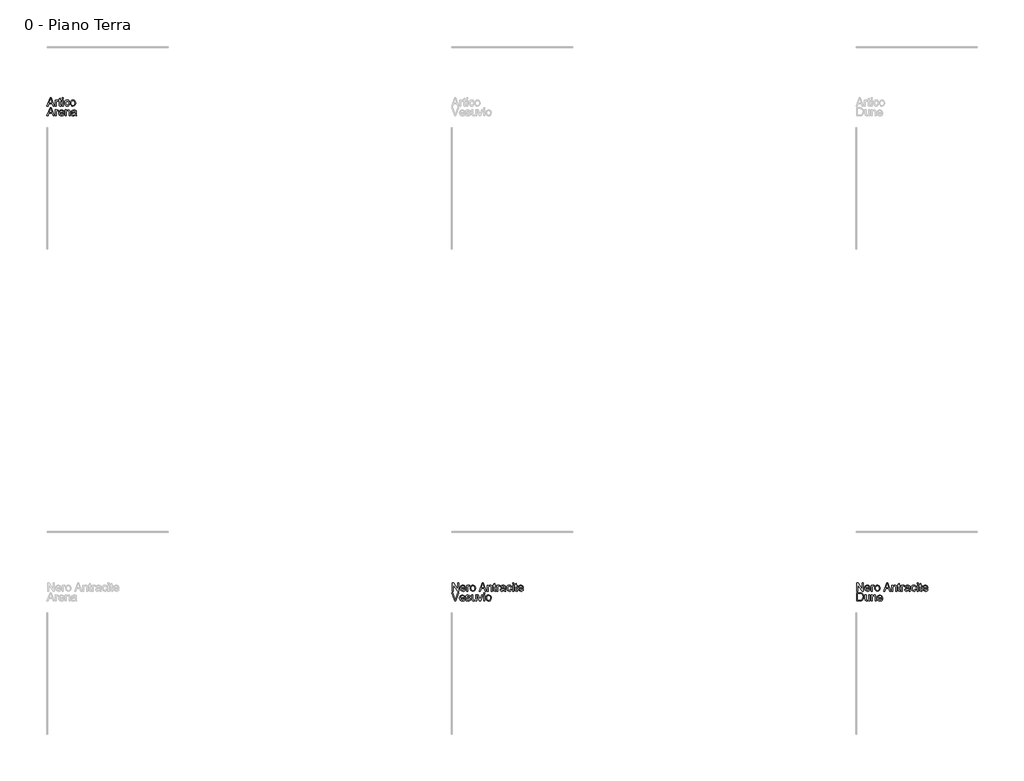
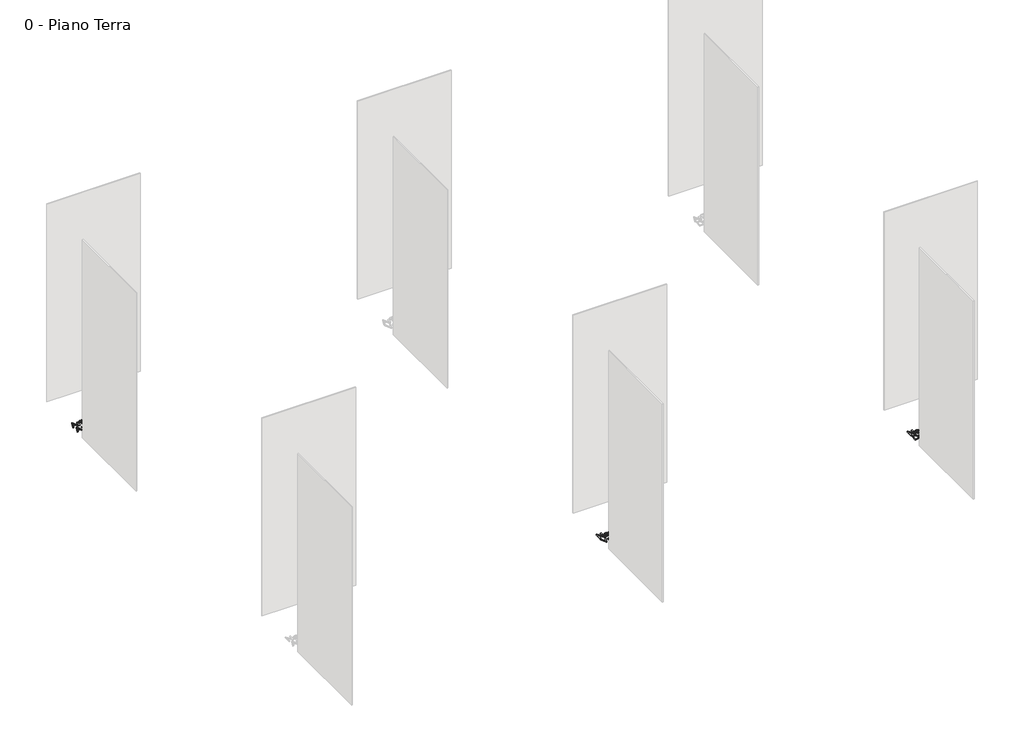
# One storey, part 12 of 35: 3 proxies.
"""IFC4 building model written with IfcOpenShell, lengths in millimetres."""

from ifc_helpers import new_model, si_unit, origin, origin_with_axes, place, context, project, spatial, polyline, outline, extrude, element, save

model = new_model("IFC4")

# Units and contexts
model_context = context("Model", 3, world=origin())
ifc_project = project(units=[si_unit("LENGTHUNIT", "METRE", prefix="MILLI")], contexts=[model_context])

# Site, building, storey
site = spatial("IfcSite", under=ifc_project)
building = spatial("IfcBuilding", under=site)
storey = spatial("IfcBuildingStorey", under=building, Name="0 - Piano Terra", Elevation=0.0)

# Proxies
placement = place(None, origin())
element("IfcBuildingElementProxy", 1, Name="Testo modello 1", ObjectType="Testo modello 1", at=placement, inside=storey, context=model_context, shape_type="SweptSolid", body=[
    extrude(outline(polyline([(-12279.9693984, -18273.7592352), (-12239.8702609, -18173.302925), (-12229.1771576, -18173.302925), (-12189.0780201, -18273.7592352), (-12202.3462974, -18273.7592352), (-12213.8487411, -18242.3666382), (-12255.2232028, -18242.3666382), (-12266.7011211, -18273.7592352), (-12279.9693984, -18273.7592352)]), holes=[polyline([(-12250.6124152, -18229.8095995), (-12218.4350033, -18229.8095995), (-12227.4849004, -18205.1124549), (-12234.5237092, -18185.8599638), (-12240.7777032, -18202.9542138), (-12250.6124152, -18229.8095995)])]), origin_with_axes(), (0.0, 0.0, 1.0), 10.0),
    extrude(outline(polyline([(-12177.2322199, -18273.7592352), (-12177.2322199, -18199.9866324), (-12166.2448109, -18199.9866324), (-12166.2448109, -18210.9004649), (-12158.4457126, -18200.8450237), (-12150.5975634, -18198.4170025), (-12137.9914737, -18202.2920262), (-12142.1853284, -18213.5492153), (-12151.0144963, -18210.9740413), (-12158.1146188, -18213.4511134), (-12162.6395674, -18220.318244), (-12164.6751811, -18234.9844729), (-12164.6751811, -18273.7592352), (-12177.2322199, -18273.7592352)])), origin_with_axes(), (0.0, 0.0, 1.0), 10.0),
    extrude(outline(polyline([(-12103.4596171, -18263.286861), (-12101.8899872, -18274.1271171), (-12111.2832408, -18275.328865), (-12121.8046659, -18273.2442004), (-12127.0531157, -18267.7750214), (-12128.5736946, -18253.5257254), (-12128.5736946, -18212.5436712), (-12137.9914737, -18212.5436712), (-12137.9914737, -18199.9866324), (-12128.5736946, -18199.9866324), (-12128.5736946, -18182.0585165), (-12116.0166559, -18174.6763511), (-12116.0166559, -18199.9866324), (-12103.4596171, -18199.9866324), (-12103.4596171, -18212.5436712), (-12116.0166559, -18212.5436712), (-12116.0166559, -18253.1578434), (-12115.3544683, -18259.6325665), (-12113.20849, -18261.9256976), (-12108.9287961, -18262.7718262), (-12103.4596171, -18263.286861)])), origin_with_axes(), (0.0, 0.0, 1.0), 10.0),
    extrude(outline(polyline([(-12090.9025783, -18185.8599638), (-12090.9025783, -18173.302925), (-12078.3455395, -18173.302925), (-12078.3455395, -18185.8599638), (-12090.9025783, -18185.8599638)])), origin_with_axes(), (0.0, 0.0, 1.0), 10.0),
    extrude(outline(polyline([(-12090.9025783, -18273.7592352), (-12090.9025783, -18199.9866324), (-12078.3455395, -18199.9866324), (-12078.3455395, -18273.7592352), (-12090.9025783, -18273.7592352)])), origin_with_axes(), (0.0, 0.0, 1.0), 10.0),
    extrude(outline(polyline([(-12012.421086, -18247.0755278), (-11999.8640472, -18248.6451576), (-12003.3650576, -18259.8134419), (-12009.9440139, -18268.253268), (-12018.9816483, -18273.5599657), (-12029.8586926, -18275.328865), (-12043.2158747, -18272.8609899), (-12053.6606577, -18265.4573648), (-12060.4020952, -18253.442952), (-12062.6492411, -18237.1427139), (-12058.8110056, -18216.2838048), (-12047.1123582, -18202.8806374), (-12030.0303708, -18198.4170025), (-12019.420041, -18199.9498442), (-12010.9372953, -18204.5483691), (-12004.851914, -18211.9673227), (-12001.4336771, -18221.9614502), (-12013.9907159, -18223.5310801), (-12019.8155141, -18214.1255637), (-12029.932269, -18210.9740413), (-12038.0471327, -18212.5252771), (-12044.4881333, -18217.1789843), (-12048.6911851, -18225.1865491), (-12050.0922023, -18236.7993574), (-12048.7218419, -18248.5685155), (-12044.6107606, -18256.6036714), (-12038.286256, -18261.2297875), (-12030.2756255, -18262.7718262), (-12018.442088, -18258.921328), (-12012.421086, -18247.0755278)])), origin_with_axes(), (0.0, 0.0, 1.0), 10.0),
    extrude(outline(polyline([(-11992.015898, -18236.8729338), (-11989.2997026, -18219.0858393), (-11981.1511164, -18206.5839828), (-11971.0834125, -18200.4587476), (-11959.0291458, -18198.4170025), (-11945.8375106, -18200.9032717), (-11935.3007571, -18208.3620791), (-11928.3937726, -18220.2048137), (-11926.0914445, -18235.8428642), (-11930.1626719, -18258.185564), (-11942.0207349, -18270.8284419), (-11959.0291458, -18275.328865), (-11972.3801965, -18272.8517929), (-11982.9046873, -18265.4205766), (-11989.7380953, -18253.3295217), (-11992.015898, -18236.8729338)]), holes=[polyline([(-11979.4588592, -18236.8484083), (-11978.0057254, -18248.2128963), (-11973.6463237, -18256.3093658), (-11967.0857615, -18261.1562111), (-11959.0291458, -18262.7718262), (-11951.0093183, -18261.1470141), (-11944.4610188, -18256.2725776), (-11940.1016171, -18248.0688092), (-11938.6484832, -18236.4560008), (-11940.1108142, -18225.4226067), (-11944.497807, -18217.4365017), (-11951.0553035, -18212.5896564), (-11959.0291458, -18210.9740413), (-11967.0857615, -18212.583525), (-11973.6463237, -18217.4119762), (-11978.0057254, -18225.4900517), (-11979.4588592, -18236.8484083)])]), origin_with_axes(), (0.0, 0.0, 1.0), 10.0),
    extrude(outline(polyline([(-12279.9693984, -18395.734053), (-12239.8702609, -18295.2777428), (-12229.1771576, -18295.2777428), (-12189.0780201, -18395.734053), (-12202.3462974, -18395.734053), (-12213.8487411, -18364.3414561), (-12255.2232028, -18364.3414561), (-12266.7011211, -18395.734053), (-12279.9693984, -18395.734053)]), holes=[polyline([(-12250.6124152, -18351.7844173), (-12218.4350033, -18351.7844173), (-12227.4849004, -18327.0872727), (-12234.5237092, -18307.8347816), (-12240.7777032, -18324.9290317), (-12250.6124152, -18351.7844173)])]), origin_with_axes(), (0.0, 0.0, 1.0), 10.0),
    extrude(outline(polyline([(-12177.2322199, -18395.734053), (-12177.2322199, -18321.9614502), (-12166.2448109, -18321.9614502), (-12166.2448109, -18332.8752828), (-12158.4457126, -18322.8198416), (-12150.5975634, -18320.3918204), (-12137.9914737, -18324.2668441), (-12142.1853284, -18335.5240331), (-12151.0144963, -18332.9488592), (-12158.1146188, -18335.4259313), (-12162.6395674, -18342.2930618), (-12164.6751811, -18356.9592907), (-12164.6751811, -18395.734053), (-12177.2322199, -18395.734053)])), origin_with_axes(), (0.0, 0.0, 1.0), 10.0),
    extrude(outline(polyline([(-12078.4926923, -18373.7592352), (-12066.1809082, -18375.328865), (-12070.616952, -18384.6056226), (-12077.6956147, -18391.5401983), (-12087.2574809, -18395.8628117), (-12099.143135, -18397.3036828), (-12113.8768089, -18394.8174137), (-12125.2137057, -18387.3586062), (-12132.4425869, -18375.4116384), (-12134.852214, -18359.4608883), (-12132.4180615, -18342.9736435), (-12125.1156039, -18330.6434653), (-12113.9319912, -18322.9547316), (-12099.8543735, -18320.3918204), (-12086.2151486, -18322.9486003), (-12075.3166445, -18330.6189399), (-12068.1705367, -18342.9245926), (-12065.7885008, -18359.3873119), (-12065.8620772, -18362.7718262), (-12122.2951752, -18362.7718262), (-12120.1216058, -18372.1712112), (-12115.0724254, -18379.0812613), (-12107.7852962, -18383.3302984), (-12098.8978803, -18384.7466441), (-12086.5860962, -18382.1224192), (-12078.4926923, -18373.7592352)]), holes=[polyline([(-12122.2951752, -18350.2147875), (-12078.3455395, -18350.2147875), (-12083.3732601, -18338.8349711), (-12090.6941119, -18334.4203871), (-12099.9034245, -18332.9488592), (-12115.366731, -18337.645486), (-12120.2319704, -18343.1361247), (-12122.2951752, -18350.2147875)])]), origin_with_axes(), (0.0, 0.0, 1.0), 10.0),
    extrude(outline(polyline([(-12053.231462, -18395.734053), (-12053.231462, -18321.9614502), (-12040.6744232, -18321.9614502), (-12040.6744232, -18332.2621461), (-12031.0727032, -18323.3594018), (-12017.9638414, -18320.3918204), (-12006.1057784, -18322.7830534), (-11998.0123745, -18329.0615727), (-11994.2477155, -18338.2954108), (-11993.5855279, -18350.4355167), (-11993.5855279, -18395.734053), (-12006.1425666, -18395.734053), (-12006.1425666, -18352.1277738), (-12007.5895691, -18341.0177376), (-12012.7031289, -18335.1438884), (-12021.3238303, -18332.9488592), (-12034.9477269, -18337.8784779), (-12039.2427491, -18345.02152), (-12040.6744232, -18356.5914087), (-12040.6744232, -18395.734053), (-12053.231462, -18395.734053)])), origin_with_axes(), (0.0, 0.0, 1.0), 10.0),
    extrude(outline(polyline([(-11929.2307042, -18386.3162739), (-11941.4075982, -18394.8266107), (-11954.8598165, -18397.3036828), (-11965.3536504, -18395.8137608), (-11973.0945007, -18391.3439945), (-11977.8677696, -18384.5565717), (-11979.4588592, -18376.1136799), (-11977.0553635, -18366.1808661), (-11970.740056, -18358.9703789), (-11961.9476763, -18354.8501006), (-11951.0828947, -18352.9616397), (-11929.3042806, -18348.6451576), (-11929.2307042, -18345.8492545), (-11932.6887949, -18336.5786282), (-11946.5702089, -18332.9488592), (-11959.2744004, -18335.3646176), (-11965.3321906, -18343.9362681), (-11977.8892294, -18342.3666382), (-11972.4568386, -18330.1039051), (-11961.5184806, -18322.9179434), (-11944.9515281, -18320.3918204), (-11929.7334762, -18322.6236378), (-11921.1373003, -18328.2277069), (-11917.2868021, -18336.7503064), (-11916.6736654, -18347.7377154), (-11916.6736654, -18363.3604374), (-11916.0360033, -18385.1758397), (-11913.5344057, -18395.734053), (-11926.0914445, -18395.734053), (-11929.2307042, -18386.3162739)]), holes=[polyline([(-11929.2307042, -18361.2021964), (-11949.4887394, -18365.0526946), (-11960.2922073, -18367.0883083), (-11965.1850378, -18370.3992463), (-11966.9018205, -18375.2307631), (-11963.1616869, -18382.0243173), (-11952.1865407, -18384.7466441), (-11939.4823491, -18381.7422744), (-11931.2908433, -18374.4704737), (-11929.3042806, -18364.758389), (-11929.2307042, -18361.2021964)])]), origin_with_axes(), (0.0, 0.0, 1.0), 10.0),
])
element("IfcBuildingElementProxy", 2, Name="Testo modello 1", ObjectType="Testo modello 1", at=placement, inside=storey, context=model_context, shape_type="SweptSolid", body=[
    extrude(outline(polyline([(-2268.2707509, -24273.7592352), (-2268.2707509, -24173.302925), (-2254.8307954, -24173.302925), (-2202.3462974, -24252.8880633), (-2202.3462974, -24173.302925), (-2189.7892586, -24173.302925), (-2189.7892586, -24273.7592352), (-2203.2292142, -24273.7592352), (-2255.7137122, -24194.1495714), (-2255.7137122, -24273.7592352), (-2268.2707509, -24273.7592352)])), origin_with_axes(), (0.0, 0.0, 1.0), 10.0),
    extrude(outline(polyline([(-2117.7334385, -24251.7844173), (-2105.4216544, -24253.3540472), (-2109.8576981, -24262.6308048), (-2116.9363608, -24269.5653804), (-2126.498227, -24273.8879938), (-2138.3838812, -24275.328865), (-2153.1175551, -24272.8425958), (-2164.4544519, -24265.3837884), (-2171.6833331, -24253.4368206), (-2174.0929602, -24237.4860704), (-2171.6588076, -24220.9988257), (-2164.35635, -24208.6686475), (-2153.1727374, -24200.9799138), (-2139.0951197, -24198.4170025), (-2125.4558947, -24200.9737824), (-2114.5573906, -24208.644122), (-2107.4112829, -24220.9497747), (-2105.0292469, -24237.412494), (-2105.1028233, -24240.7970084), (-2161.5359214, -24240.7970084), (-2159.3623519, -24250.1963934), (-2154.3131716, -24257.1064435), (-2147.0260424, -24261.3554805), (-2138.1386265, -24262.7718262), (-2125.8268424, -24260.1476013), (-2117.7334385, -24251.7844173)]), holes=[polyline([(-2161.5359214, -24228.2399696), (-2117.5862857, -24228.2399696), (-2122.6140063, -24216.8601532), (-2129.934858, -24212.4455693), (-2139.1441706, -24210.9740413), (-2154.6074771, -24215.6706681), (-2159.4727165, -24221.1613069), (-2161.5359214, -24228.2399696)])]), origin_with_axes(), (0.0, 0.0, 1.0), 10.0),
    extrude(outline(polyline([(-2092.4722082, -24273.7592352), (-2092.4722082, -24199.9866324), (-2081.4847992, -24199.9866324), (-2081.4847992, -24210.9004649), (-2073.6857009, -24200.8450237), (-2065.8375517, -24198.4170025), (-2053.231462, -24202.2920262), (-2057.4253168, -24213.5492153), (-2066.2544846, -24210.9740413), (-2073.3546071, -24213.4511134), (-2077.8795557, -24220.318244), (-2079.9151694, -24234.9844729), (-2079.9151694, -24273.7592352), (-2092.4722082, -24273.7592352)])), origin_with_axes(), (0.0, 0.0, 1.0), 10.0),
    extrude(outline(polyline([(-2048.5225725, -24236.8729338), (-2045.8063771, -24219.0858393), (-2037.6577909, -24206.5839828), (-2027.5900869, -24200.4587476), (-2015.5358202, -24198.4170025), (-2002.344185, -24200.9032717), (-1991.8074315, -24208.3620791), (-1984.9004471, -24220.2048137), (-1982.5981189, -24235.8428642), (-1986.6693463, -24258.185564), (-1998.5274093, -24270.8284419), (-2015.5358202, -24275.328865), (-2028.886871, -24272.8517929), (-2039.4113617, -24265.4205766), (-2046.2447698, -24253.3295217), (-2048.5225725, -24236.8729338)]), holes=[polyline([(-2035.9655337, -24236.8484083), (-2034.5123998, -24248.2128963), (-2030.1529982, -24256.3093658), (-2023.5924359, -24261.1562111), (-2015.5358202, -24262.7718262), (-2007.5159927, -24261.1470141), (-2000.9676932, -24256.2725776), (-1996.6082916, -24248.0688092), (-1995.1551577, -24236.4560008), (-1996.6174886, -24225.4226067), (-2001.0044814, -24217.4365017), (-2007.561978, -24212.5896564), (-2015.5358202, -24210.9740413), (-2023.5924359, -24212.583525), (-2030.1529982, -24217.4119762), (-2034.5123998, -24225.4900517), (-2035.9655337, -24236.8484083)])]), origin_with_axes(), (0.0, 0.0, 1.0), 10.0),
    extrude(outline(polyline([(-1939.3597218, -24273.7592352), (-1899.2605843, -24173.302925), (-1888.567481, -24173.302925), (-1848.4683435, -24273.7592352), (-1861.7366208, -24273.7592352), (-1873.2390645, -24242.3666382), (-1914.6135262, -24242.3666382), (-1926.0914445, -24273.7592352), (-1939.3597218, -24273.7592352)]), holes=[polyline([(-1910.0027386, -24229.8095995), (-1877.8253267, -24229.8095995), (-1886.8752238, -24205.1124549), (-1893.9140326, -24185.8599638), (-1900.1680266, -24202.9542138), (-1910.0027386, -24229.8095995)])]), origin_with_axes(), (0.0, 0.0, 1.0), 10.0),
    extrude(outline(polyline([(-1836.6225433, -24273.7592352), (-1836.6225433, -24199.9866324), (-1824.0655045, -24199.9866324), (-1824.0655045, -24210.2873283), (-1814.4637844, -24201.384584), (-1801.3549226, -24198.4170025), (-1789.4968597, -24200.8082355), (-1781.4034558, -24207.0867549), (-1777.6387967, -24216.320593), (-1776.9766091, -24228.4606988), (-1776.9766091, -24273.7592352), (-1789.5336479, -24273.7592352), (-1789.5336479, -24230.152956), (-1790.9806504, -24219.0429197), (-1796.0942101, -24213.1690705), (-1804.7149115, -24210.9740413), (-1818.3388081, -24215.90366), (-1822.6338304, -24223.0467021), (-1824.0655045, -24234.6165909), (-1824.0655045, -24273.7592352), (-1836.6225433, -24273.7592352)])), origin_with_axes(), (0.0, 0.0, 1.0), 10.0),
    extrude(outline(polyline([(-1733.0269734, -24263.286861), (-1731.4573436, -24274.1271171), (-1740.8505972, -24275.328865), (-1751.3720222, -24273.2442004), (-1756.620472, -24267.7750214), (-1758.1410509, -24253.5257254), (-1758.1410509, -24212.5436712), (-1767.55883, -24212.5436712), (-1767.55883, -24199.9866324), (-1758.1410509, -24199.9866324), (-1758.1410509, -24182.0585165), (-1745.5840122, -24174.6763511), (-1745.5840122, -24199.9866324), (-1733.0269734, -24199.9866324), (-1733.0269734, -24212.5436712), (-1745.5840122, -24212.5436712), (-1745.5840122, -24253.1578434), (-1744.9218246, -24259.6325665), (-1742.7758463, -24261.9256976), (-1738.4961524, -24262.7718262), (-1733.0269734, -24263.286861)])), origin_with_axes(), (0.0, 0.0, 1.0), 10.0),
    extrude(outline(polyline([(-1720.4699346, -24273.7592352), (-1720.4699346, -24199.9866324), (-1709.4825257, -24199.9866324), (-1709.4825257, -24210.9004649), (-1701.6834274, -24200.8450237), (-1693.8352782, -24198.4170025), (-1681.2291885, -24202.2920262), (-1685.4230432, -24213.5492153), (-1694.2522111, -24210.9740413), (-1701.3523336, -24213.4511134), (-1705.8772822, -24220.318244), (-1707.9128959, -24234.9844729), (-1707.9128959, -24273.7592352), (-1720.4699346, -24273.7592352)])), origin_with_axes(), (0.0, 0.0, 1.0), 10.0),
    extrude(outline(polyline([(-1626.2921439, -24264.3414561), (-1638.4690379, -24272.8517929), (-1651.9212562, -24275.328865), (-1662.4150901, -24273.8389429), (-1670.1559404, -24269.3691767), (-1674.9292093, -24262.5817539), (-1676.5202989, -24254.1388621), (-1674.1168032, -24244.2060482), (-1667.8014957, -24236.9955611), (-1659.009116, -24232.8752828), (-1648.1443344, -24230.9868218), (-1626.3657203, -24226.6703398), (-1626.2921439, -24223.8744366), (-1629.7502346, -24214.6038103), (-1643.6316486, -24210.9740413), (-1656.3358401, -24213.3897997), (-1662.3936303, -24221.9614502), (-1674.9506691, -24220.3918204), (-1669.5182783, -24208.1290872), (-1658.5799203, -24200.9431256), (-1642.0129678, -24198.4170025), (-1626.7949159, -24200.64882), (-1618.19874, -24206.252889), (-1614.3482418, -24214.7754886), (-1613.7351051, -24225.7628975), (-1613.7351051, -24241.3856196), (-1613.097443, -24263.2010219), (-1610.5958454, -24273.7592352), (-1623.1528842, -24273.7592352), (-1626.2921439, -24264.3414561)]), holes=[polyline([(-1626.2921439, -24239.2273785), (-1646.5501791, -24243.0778768), (-1657.353647, -24245.1134905), (-1662.2464775, -24248.4244284), (-1663.9632602, -24253.2559453), (-1660.2231266, -24260.0494995), (-1649.2479804, -24262.7718262), (-1636.5437888, -24259.7674566), (-1628.352283, -24252.4956558), (-1626.3657203, -24242.7835712), (-1626.2921439, -24239.2273785)])]), origin_with_axes(), (0.0, 0.0, 1.0), 10.0),
    extrude(outline(polyline([(-1549.3802814, -24247.0755278), (-1536.8232426, -24248.6451576), (-1540.324253, -24259.8134419), (-1546.9032093, -24268.253268), (-1555.9408437, -24273.5599657), (-1566.817888, -24275.328865), (-1580.1750701, -24272.8609899), (-1590.6198531, -24265.4573648), (-1597.3612906, -24253.442952), (-1599.6084365, -24237.1427139), (-1595.770201, -24216.2838048), (-1584.0715536, -24202.8806374), (-1566.9895663, -24198.4170025), (-1556.3792364, -24199.9498442), (-1547.8964907, -24204.5483691), (-1541.8111094, -24211.9673227), (-1538.3928725, -24221.9614502), (-1550.9499113, -24223.5310801), (-1556.7747095, -24214.1255637), (-1566.8914644, -24210.9740413), (-1575.0063281, -24212.5252771), (-1581.4473287, -24217.1789843), (-1585.6503805, -24225.1865491), (-1587.0513977, -24236.7993574), (-1585.6810373, -24248.5685155), (-1581.569956, -24256.6036714), (-1575.2454514, -24261.2297875), (-1567.2348209, -24262.7718262), (-1555.4012834, -24258.921328), (-1549.3802814, -24247.0755278)])), origin_with_axes(), (0.0, 0.0, 1.0), 10.0),
    extrude(outline(polyline([(-1525.8358337, -24273.7592352), (-1525.8358337, -24199.9866324), (-1513.278795, -24199.9866324), (-1513.278795, -24273.7592352), (-1525.8358337, -24273.7592352)])), origin_with_axes(), (0.0, 0.0, 1.0), 10.0),
    extrude(outline(polyline([(-1525.8358337, -24185.8599638), (-1525.8358337, -24173.302925), (-1513.278795, -24173.302925), (-1513.278795, -24185.8599638), (-1525.8358337, -24185.8599638)])), origin_with_axes(), (0.0, 0.0, 1.0), 10.0),
    extrude(outline(polyline([(-1467.7595294, -24263.286861), (-1466.1898996, -24274.1271171), (-1475.5831532, -24275.328865), (-1486.1045782, -24273.2442004), (-1491.353028, -24267.7750214), (-1492.873607, -24253.5257254), (-1492.873607, -24212.5436712), (-1502.291386, -24212.5436712), (-1502.291386, -24199.9866324), (-1492.873607, -24199.9866324), (-1492.873607, -24182.0585165), (-1480.3165682, -24174.6763511), (-1480.3165682, -24199.9866324), (-1467.7595294, -24199.9866324), (-1467.7595294, -24212.5436712), (-1480.3165682, -24212.5436712), (-1480.3165682, -24253.1578434), (-1479.6543806, -24259.6325665), (-1477.5084023, -24261.9256976), (-1473.2287084, -24262.7718262), (-1467.7595294, -24263.286861)])), origin_with_axes(), (0.0, 0.0, 1.0), 10.0),
    extrude(outline(polyline([(-1403.5518585, -24251.7844173), (-1391.2400744, -24253.3540472), (-1395.6761181, -24262.6308048), (-1402.7547809, -24269.5653804), (-1412.3166471, -24273.8879938), (-1424.2023012, -24275.328865), (-1438.9359751, -24272.8425958), (-1450.2728719, -24265.3837884), (-1457.5017531, -24253.4368206), (-1459.9113802, -24237.4860704), (-1457.4772277, -24220.9988257), (-1450.1747701, -24208.6686475), (-1438.9911574, -24200.9799138), (-1424.9135397, -24198.4170025), (-1411.2743147, -24200.9737824), (-1400.3758106, -24208.644122), (-1393.2297029, -24220.9497747), (-1390.847667, -24237.412494), (-1390.9212434, -24240.7970084), (-1447.3543414, -24240.7970084), (-1445.180772, -24250.1963934), (-1440.1315916, -24257.1064435), (-1432.8444624, -24261.3554805), (-1423.9570465, -24262.7718262), (-1411.6452624, -24260.1476013), (-1403.5518585, -24251.7844173)]), holes=[polyline([(-1447.3543414, -24228.2399696), (-1403.4047057, -24228.2399696), (-1408.4324263, -24216.8601532), (-1415.753278, -24212.4455693), (-1424.9625906, -24210.9740413), (-1440.4258972, -24215.6706681), (-1445.2911366, -24221.1613069), (-1447.3543414, -24228.2399696)])]), origin_with_axes(), (0.0, 0.0, 1.0), 10.0),
    extrude(outline(polyline([(-2268.2707509, -24395.734053), (-2268.2707509, -24295.2777428), (-2233.616267, -24295.2777428), (-2215.6881511, -24296.7247454), (-2200.9238203, -24303.910707), (-2189.0289692, -24321.0785334), (-2185.0803691, -24344.9663377), (-2187.7536449, -24365.2366356), (-2194.6207755, -24379.8660763), (-2203.7932999, -24388.977287), (-2215.7985157, -24394.0172704), (-2231.9485353, -24395.734053), (-2268.2707509, -24395.734053)]), holes=[polyline([(-2255.7137122, -24383.1770142), (-2233.4936396, -24383.1770142), (-2217.3313573, -24381.3621297), (-2208.0116801, -24376.2363073), (-2200.3719973, -24363.7651076), (-2197.6374079, -24344.7701339), (-2198.9771114, -24331.0849237), (-2202.9962222, -24320.9804316), (-2216.0315076, -24309.8458699), (-2233.8369962, -24307.8347816), (-2255.7137122, -24307.8347816), (-2255.7137122, -24383.1770142)])]), origin_with_axes(), (0.0, 0.0, 1.0), 10.0),
    extrude(outline(polyline([(-2122.2951752, -24395.734053), (-2122.2951752, -24383.0543869), (-2132.1298872, -24393.7413589), (-2144.9567061, -24397.3036828), (-2156.7657182, -24394.8020853), (-2164.908173, -24388.5235659), (-2168.6483066, -24379.2774651), (-2169.3840706, -24367.6033431), (-2169.3840706, -24321.9614502), (-2156.8270319, -24321.9614502), (-2156.8270319, -24361.6927057), (-2156.0667424, -24374.4949991), (-2151.1003355, -24382.0120546), (-2141.74387, -24384.7466441), (-2131.2592332, -24381.9507409), (-2124.3307889, -24374.3355836), (-2122.2951752, -24360.3438051), (-2122.2951752, -24321.9614502), (-2109.7381365, -24321.9614502), (-2109.7381365, -24395.734053), (-2122.2951752, -24395.734053)])), origin_with_axes(), (0.0, 0.0, 1.0), 10.0),
    extrude(outline(polyline([(-2092.4722082, -24395.734053), (-2092.4722082, -24321.9614502), (-2079.9151694, -24321.9614502), (-2079.9151694, -24332.2621461), (-2070.3134493, -24323.3594018), (-2057.2045876, -24320.3918204), (-2045.3465246, -24322.7830534), (-2037.2531207, -24329.0615727), (-2033.4884616, -24338.2954108), (-2032.826274, -24350.4355167), (-2032.826274, -24395.734053), (-2045.3833128, -24395.734053), (-2045.3833128, -24352.1277738), (-2046.8303153, -24341.0177376), (-2051.943875, -24335.1438884), (-2060.5645764, -24332.9488592), (-2074.188473, -24337.8784779), (-2078.4834953, -24345.02152), (-2079.9151694, -24356.5914087), (-2079.9151694, -24395.734053), (-2092.4722082, -24395.734053)])), origin_with_axes(), (0.0, 0.0, 1.0), 10.0),
    extrude(outline(polyline([(-1963.9097136, -24373.7592352), (-1951.5979295, -24375.328865), (-1956.0339732, -24384.6056226), (-1963.1126359, -24391.5401983), (-1972.6745021, -24395.8628117), (-1984.5601562, -24397.3036828), (-1999.2938302, -24394.8174137), (-2010.630727, -24387.3586062), (-2017.8596082, -24375.4116384), (-2020.2692352, -24359.4608883), (-2017.8350827, -24342.9736435), (-2010.5326251, -24330.6434653), (-1999.3490125, -24322.9547316), (-1985.2713948, -24320.3918204), (-1971.6321698, -24322.9486003), (-1960.7336657, -24330.6189399), (-1953.5875579, -24342.9245926), (-1951.205522, -24359.3873119), (-1951.2790984, -24362.7718262), (-2007.7121965, -24362.7718262), (-2005.538627, -24372.1712112), (-2000.4894466, -24379.0812613), (-1993.2023174, -24383.3302984), (-1984.3149016, -24384.7466441), (-1972.0031175, -24382.1224192), (-1963.9097136, -24373.7592352)]), holes=[polyline([(-2007.7121965, -24350.2147875), (-1963.7625608, -24350.2147875), (-1968.7902814, -24338.8349711), (-1976.1111331, -24334.4203871), (-1985.3204457, -24332.9488592), (-2000.7837522, -24337.645486), (-2005.6489916, -24343.1361247), (-2007.7121965, -24350.2147875)])]), origin_with_axes(), (0.0, 0.0, 1.0), 10.0),
])
element("IfcBuildingElementProxy", 3, Name="Testo modello 1", ObjectType="Testo modello 1", at=placement, inside=storey, context=model_context, shape_type="SweptSolid", body=[
    extrude(outline(polyline([(-7268.2707509, -24273.7592352), (-7268.2707509, -24173.302925), (-7254.8307954, -24173.302925), (-7202.3462974, -24252.8880633), (-7202.3462974, -24173.302925), (-7189.7892586, -24173.302925), (-7189.7892586, -24273.7592352), (-7203.2292142, -24273.7592352), (-7255.7137122, -24194.1495714), (-7255.7137122, -24273.7592352), (-7268.2707509, -24273.7592352)])), origin_with_axes(), (0.0, 0.0, 1.0), 10.0),
    extrude(outline(polyline([(-7117.7334385, -24251.7844173), (-7105.4216544, -24253.3540472), (-7109.8576981, -24262.6308048), (-7116.9363608, -24269.5653804), (-7126.498227, -24273.8879938), (-7138.3838812, -24275.328865), (-7153.1175551, -24272.8425958), (-7164.4544519, -24265.3837884), (-7171.6833331, -24253.4368206), (-7174.0929602, -24237.4860704), (-7171.6588076, -24220.9988257), (-7164.35635, -24208.6686475), (-7153.1727374, -24200.9799138), (-7139.0951197, -24198.4170025), (-7125.4558947, -24200.9737824), (-7114.5573906, -24208.644122), (-7107.4112829, -24220.9497747), (-7105.0292469, -24237.412494), (-7105.1028233, -24240.7970084), (-7161.5359214, -24240.7970084), (-7159.3623519, -24250.1963934), (-7154.3131716, -24257.1064435), (-7147.0260424, -24261.3554805), (-7138.1386265, -24262.7718262), (-7125.8268424, -24260.1476013), (-7117.7334385, -24251.7844173)]), holes=[polyline([(-7161.5359214, -24228.2399696), (-7117.5862857, -24228.2399696), (-7122.6140063, -24216.8601532), (-7129.934858, -24212.4455693), (-7139.1441706, -24210.9740413), (-7154.6074771, -24215.6706681), (-7159.4727165, -24221.1613069), (-7161.5359214, -24228.2399696)])]), origin_with_axes(), (0.0, 0.0, 1.0), 10.0),
    extrude(outline(polyline([(-7092.4722082, -24273.7592352), (-7092.4722082, -24199.9866324), (-7081.4847992, -24199.9866324), (-7081.4847992, -24210.9004649), (-7073.6857009, -24200.8450237), (-7065.8375517, -24198.4170025), (-7053.231462, -24202.2920262), (-7057.4253168, -24213.5492153), (-7066.2544846, -24210.9740413), (-7073.3546071, -24213.4511134), (-7077.8795557, -24220.318244), (-7079.9151694, -24234.9844729), (-7079.9151694, -24273.7592352), (-7092.4722082, -24273.7592352)])), origin_with_axes(), (0.0, 0.0, 1.0), 10.0),
    extrude(outline(polyline([(-7048.5225725, -24236.8729338), (-7045.8063771, -24219.0858393), (-7037.6577909, -24206.5839828), (-7027.5900869, -24200.4587476), (-7015.5358202, -24198.4170025), (-7002.344185, -24200.9032717), (-6991.8074315, -24208.3620791), (-6984.9004471, -24220.2048137), (-6982.5981189, -24235.8428642), (-6986.6693463, -24258.185564), (-6998.5274093, -24270.8284419), (-7015.5358202, -24275.328865), (-7028.886871, -24272.8517929), (-7039.4113617, -24265.4205766), (-7046.2447698, -24253.3295217), (-7048.5225725, -24236.8729338)]), holes=[polyline([(-7035.9655337, -24236.8484083), (-7034.5123998, -24248.2128963), (-7030.1529982, -24256.3093658), (-7023.5924359, -24261.1562111), (-7015.5358202, -24262.7718262), (-7007.5159927, -24261.1470141), (-7000.9676932, -24256.2725776), (-6996.6082916, -24248.0688092), (-6995.1551577, -24236.4560008), (-6996.6174886, -24225.4226067), (-7001.0044814, -24217.4365017), (-7007.561978, -24212.5896564), (-7015.5358202, -24210.9740413), (-7023.5924359, -24212.583525), (-7030.1529982, -24217.4119762), (-7034.5123998, -24225.4900517), (-7035.9655337, -24236.8484083)])]), origin_with_axes(), (0.0, 0.0, 1.0), 10.0),
    extrude(outline(polyline([(-6939.3597218, -24273.7592352), (-6899.2605843, -24173.302925), (-6888.567481, -24173.302925), (-6848.4683435, -24273.7592352), (-6861.7366208, -24273.7592352), (-6873.2390645, -24242.3666382), (-6914.6135262, -24242.3666382), (-6926.0914445, -24273.7592352), (-6939.3597218, -24273.7592352)]), holes=[polyline([(-6910.0027386, -24229.8095995), (-6877.8253267, -24229.8095995), (-6886.8752238, -24205.1124549), (-6893.9140326, -24185.8599638), (-6900.1680266, -24202.9542138), (-6910.0027386, -24229.8095995)])]), origin_with_axes(), (0.0, 0.0, 1.0), 10.0),
    extrude(outline(polyline([(-6836.6225433, -24273.7592352), (-6836.6225433, -24199.9866324), (-6824.0655045, -24199.9866324), (-6824.0655045, -24210.2873283), (-6814.4637844, -24201.384584), (-6801.3549226, -24198.4170025), (-6789.4968597, -24200.8082355), (-6781.4034558, -24207.0867549), (-6777.6387967, -24216.320593), (-6776.9766091, -24228.4606988), (-6776.9766091, -24273.7592352), (-6789.5336479, -24273.7592352), (-6789.5336479, -24230.152956), (-6790.9806504, -24219.0429197), (-6796.0942101, -24213.1690705), (-6804.7149115, -24210.9740413), (-6818.3388081, -24215.90366), (-6822.6338304, -24223.0467021), (-6824.0655045, -24234.6165909), (-6824.0655045, -24273.7592352), (-6836.6225433, -24273.7592352)])), origin_with_axes(), (0.0, 0.0, 1.0), 10.0),
    extrude(outline(polyline([(-6733.0269734, -24263.286861), (-6731.4573436, -24274.1271171), (-6740.8505972, -24275.328865), (-6751.3720222, -24273.2442004), (-6756.620472, -24267.7750214), (-6758.1410509, -24253.5257254), (-6758.1410509, -24212.5436712), (-6767.55883, -24212.5436712), (-6767.55883, -24199.9866324), (-6758.1410509, -24199.9866324), (-6758.1410509, -24182.0585165), (-6745.5840122, -24174.6763511), (-6745.5840122, -24199.9866324), (-6733.0269734, -24199.9866324), (-6733.0269734, -24212.5436712), (-6745.5840122, -24212.5436712), (-6745.5840122, -24253.1578434), (-6744.9218246, -24259.6325665), (-6742.7758463, -24261.9256976), (-6738.4961524, -24262.7718262), (-6733.0269734, -24263.286861)])), origin_with_axes(), (0.0, 0.0, 1.0), 10.0),
    extrude(outline(polyline([(-6720.4699346, -24273.7592352), (-6720.4699346, -24199.9866324), (-6709.4825257, -24199.9866324), (-6709.4825257, -24210.9004649), (-6701.6834274, -24200.8450237), (-6693.8352782, -24198.4170025), (-6681.2291885, -24202.2920262), (-6685.4230432, -24213.5492153), (-6694.2522111, -24210.9740413), (-6701.3523336, -24213.4511134), (-6705.8772822, -24220.318244), (-6707.9128959, -24234.9844729), (-6707.9128959, -24273.7592352), (-6720.4699346, -24273.7592352)])), origin_with_axes(), (0.0, 0.0, 1.0), 10.0),
    extrude(outline(polyline([(-6626.2921439, -24264.3414561), (-6638.4690379, -24272.8517929), (-6651.9212562, -24275.328865), (-6662.4150901, -24273.8389429), (-6670.1559404, -24269.3691767), (-6674.9292093, -24262.5817539), (-6676.5202989, -24254.1388621), (-6674.1168032, -24244.2060482), (-6667.8014957, -24236.9955611), (-6659.009116, -24232.8752828), (-6648.1443344, -24230.9868218), (-6626.3657203, -24226.6703398), (-6626.2921439, -24223.8744366), (-6629.7502346, -24214.6038103), (-6643.6316486, -24210.9740413), (-6656.3358401, -24213.3897997), (-6662.3936303, -24221.9614502), (-6674.9506691, -24220.3918204), (-6669.5182783, -24208.1290872), (-6658.5799203, -24200.9431256), (-6642.0129678, -24198.4170025), (-6626.7949159, -24200.64882), (-6618.19874, -24206.252889), (-6614.3482418, -24214.7754886), (-6613.7351051, -24225.7628975), (-6613.7351051, -24241.3856196), (-6613.097443, -24263.2010219), (-6610.5958454, -24273.7592352), (-6623.1528842, -24273.7592352), (-6626.2921439, -24264.3414561)]), holes=[polyline([(-6626.2921439, -24239.2273785), (-6646.5501791, -24243.0778768), (-6657.353647, -24245.1134905), (-6662.2464775, -24248.4244284), (-6663.9632602, -24253.2559453), (-6660.2231266, -24260.0494995), (-6649.2479804, -24262.7718262), (-6636.5437888, -24259.7674566), (-6628.352283, -24252.4956558), (-6626.3657203, -24242.7835712), (-6626.2921439, -24239.2273785)])]), origin_with_axes(), (0.0, 0.0, 1.0), 10.0),
    extrude(outline(polyline([(-6549.3802814, -24247.0755278), (-6536.8232426, -24248.6451576), (-6540.324253, -24259.8134419), (-6546.9032093, -24268.253268), (-6555.9408437, -24273.5599657), (-6566.817888, -24275.328865), (-6580.1750701, -24272.8609899), (-6590.6198531, -24265.4573648), (-6597.3612906, -24253.442952), (-6599.6084365, -24237.1427139), (-6595.770201, -24216.2838048), (-6584.0715536, -24202.8806374), (-6566.9895663, -24198.4170025), (-6556.3792364, -24199.9498442), (-6547.8964907, -24204.5483691), (-6541.8111094, -24211.9673227), (-6538.3928725, -24221.9614502), (-6550.9499113, -24223.5310801), (-6556.7747095, -24214.1255637), (-6566.8914644, -24210.9740413), (-6575.0063281, -24212.5252771), (-6581.4473287, -24217.1789843), (-6585.6503805, -24225.1865491), (-6587.0513977, -24236.7993574), (-6585.6810373, -24248.5685155), (-6581.569956, -24256.6036714), (-6575.2454514, -24261.2297875), (-6567.2348209, -24262.7718262), (-6555.4012834, -24258.921328), (-6549.3802814, -24247.0755278)])), origin_with_axes(), (0.0, 0.0, 1.0), 10.0),
    extrude(outline(polyline([(-6525.8358337, -24273.7592352), (-6525.8358337, -24199.9866324), (-6513.278795, -24199.9866324), (-6513.278795, -24273.7592352), (-6525.8358337, -24273.7592352)])), origin_with_axes(), (0.0, 0.0, 1.0), 10.0),
    extrude(outline(polyline([(-6525.8358337, -24185.8599638), (-6525.8358337, -24173.302925), (-6513.278795, -24173.302925), (-6513.278795, -24185.8599638), (-6525.8358337, -24185.8599638)])), origin_with_axes(), (0.0, 0.0, 1.0), 10.0),
    extrude(outline(polyline([(-6467.7595294, -24263.286861), (-6466.1898996, -24274.1271171), (-6475.5831532, -24275.328865), (-6486.1045782, -24273.2442004), (-6491.353028, -24267.7750214), (-6492.873607, -24253.5257254), (-6492.873607, -24212.5436712), (-6502.291386, -24212.5436712), (-6502.291386, -24199.9866324), (-6492.873607, -24199.9866324), (-6492.873607, -24182.0585165), (-6480.3165682, -24174.6763511), (-6480.3165682, -24199.9866324), (-6467.7595294, -24199.9866324), (-6467.7595294, -24212.5436712), (-6480.3165682, -24212.5436712), (-6480.3165682, -24253.1578434), (-6479.6543806, -24259.6325665), (-6477.5084023, -24261.9256976), (-6473.2287084, -24262.7718262), (-6467.7595294, -24263.286861)])), origin_with_axes(), (0.0, 0.0, 1.0), 10.0),
    extrude(outline(polyline([(-6403.5518585, -24251.7844173), (-6391.2400744, -24253.3540472), (-6395.6761181, -24262.6308048), (-6402.7547809, -24269.5653804), (-6412.3166471, -24273.8879938), (-6424.2023012, -24275.328865), (-6438.9359751, -24272.8425958), (-6450.2728719, -24265.3837884), (-6457.5017531, -24253.4368206), (-6459.9113802, -24237.4860704), (-6457.4772277, -24220.9988257), (-6450.1747701, -24208.6686475), (-6438.9911574, -24200.9799138), (-6424.9135397, -24198.4170025), (-6411.2743147, -24200.9737824), (-6400.3758106, -24208.644122), (-6393.2297029, -24220.9497747), (-6390.847667, -24237.412494), (-6390.9212434, -24240.7970084), (-6447.3543414, -24240.7970084), (-6445.180772, -24250.1963934), (-6440.1315916, -24257.1064435), (-6432.8444624, -24261.3554805), (-6423.9570465, -24262.7718262), (-6411.6452624, -24260.1476013), (-6403.5518585, -24251.7844173)]), holes=[polyline([(-6447.3543414, -24228.2399696), (-6403.4047057, -24228.2399696), (-6408.4324263, -24216.8601532), (-6415.753278, -24212.4455693), (-6424.9625906, -24210.9740413), (-6440.4258972, -24215.6706681), (-6445.2911366, -24221.1613069), (-6447.3543414, -24228.2399696)])]), origin_with_axes(), (0.0, 0.0, 1.0), 10.0),
    extrude(outline(polyline([(-7238.5949366, -24395.734053), (-7278.5714468, -24295.2777428), (-7265.1314912, -24295.2777428), (-7238.3742074, -24367.652394), (-7232.9540794, -24383.9618292), (-7227.6075277, -24367.652394), (-7200.7766675, -24295.2777428), (-7187.336712, -24295.2777428), (-7225.620965, -24395.734053), (-7238.5949366, -24395.734053)])), origin_with_axes(), (0.0, 0.0, 1.0), 10.0),
    extrude(outline(polyline([(-7125.5815877, -24373.7592352), (-7113.2698036, -24375.328865), (-7117.7058473, -24384.6056226), (-7124.7845101, -24391.5401983), (-7134.3463763, -24395.8628117), (-7146.2320304, -24397.3036828), (-7160.9657043, -24394.8174137), (-7172.3026011, -24387.3586062), (-7179.5314823, -24375.4116384), (-7181.9411094, -24359.4608883), (-7179.5069569, -24342.9736435), (-7172.2044993, -24330.6434653), (-7161.0208866, -24322.9547316), (-7146.9432689, -24320.3918204), (-7133.3040439, -24322.9486003), (-7122.4055398, -24330.6189399), (-7115.2594321, -24342.9245926), (-7112.8773962, -24359.3873119), (-7112.9509726, -24362.7718262), (-7169.3840706, -24362.7718262), (-7167.2105012, -24372.1712112), (-7162.1613208, -24379.0812613), (-7154.8741916, -24383.3302984), (-7145.9867757, -24384.7466441), (-7133.6749916, -24382.1224192), (-7125.5815877, -24373.7592352)]), holes=[polyline([(-7169.3840706, -24350.2147875), (-7125.4344349, -24350.2147875), (-7130.4621555, -24338.8349711), (-7137.7830072, -24334.4203871), (-7146.9923198, -24332.9488592), (-7162.4556264, -24337.645486), (-7167.3208658, -24343.1361247), (-7169.3840706, -24350.2147875)])]), origin_with_axes(), (0.0, 0.0, 1.0), 10.0),
    extrude(outline(polyline([(-7105.0292469, -24373.7592352), (-7092.4722082, -24372.1896053), (-7086.6596726, -24381.5092825), (-7073.3423444, -24384.7466441), (-7060.540051, -24381.7790626), (-7056.3707217, -24374.8138302), (-7060.5645764, -24369.1729729), (-7073.4894972, -24365.5922549), (-7092.3986318, -24359.4486255), (-7100.6514512, -24352.2749266), (-7103.4596171, -24342.145909), (-7101.2032742, -24332.7894436), (-7095.0473821, -24325.6402702), (-7087.0643428, -24321.924662), (-7076.2608749, -24320.3918204), (-7060.9815094, -24322.8566298), (-7051.2694247, -24329.5275566), (-7046.9529426, -24340.7970084), (-7059.5099814, -24342.3666382), (-7064.2311337, -24335.438194), (-7075.2798563, -24332.9488592), (-7087.2973348, -24335.3278294), (-7090.9025783, -24340.8705848), (-7089.4065249, -24344.5248793), (-7084.7221608, -24347.296257), (-7073.9064301, -24349.9695328), (-7055.4755422, -24355.8801702), (-7046.9161544, -24362.5756225), (-7043.8136829, -24373.489455), (-7047.4557147, -24385.5069335), (-7057.964877, -24394.2257368), (-7073.5140227, -24397.3036828), (-7086.1752947, -24395.8198921), (-7095.4152641, -24391.36852), (-7101.5834189, -24383.9986174), (-7105.0292469, -24373.7592352)])), origin_with_axes(), (0.0, 0.0, 1.0), 10.0),
    extrude(outline(polyline([(-6982.5981189, -24395.734053), (-6982.5981189, -24383.0543869), (-6992.4328309, -24393.7413589), (-7005.2596498, -24397.3036828), (-7017.0686619, -24394.8020853), (-7025.2111167, -24388.5235659), (-7028.9512503, -24379.2774651), (-7029.6870143, -24367.6033431), (-7029.6870143, -24321.9614502), (-7017.1299756, -24321.9614502), (-7017.1299756, -24361.6927057), (-7016.3696861, -24374.4949991), (-7011.4032792, -24382.0120546), (-7002.0468137, -24384.7466441), (-6991.5621769, -24381.9507409), (-6984.6337326, -24374.3355836), (-6982.5981189, -24360.3438051), (-6982.5981189, -24321.9614502), (-6970.0410802, -24321.9614502), (-6970.0410802, -24395.734053), (-6982.5981189, -24395.734053)])), origin_with_axes(), (0.0, 0.0, 1.0), 10.0),
    extrude(outline(polyline([(-6934.6753577, -24395.734053), (-6960.6233011, -24321.9614502), (-6947.3304983, -24321.9614502), (-6931.6096744, -24366.1563406), (-6926.8762594, -24381.0187732), (-6922.2409463, -24366.9902064), (-6906.4220205, -24321.9614502), (-6893.1292177, -24321.9614502), (-6918.75833, -24395.734053), (-6934.6753577, -24395.734053)])), origin_with_axes(), (0.0, 0.0, 1.0), 10.0),
    extrude(outline(polyline([(-6882.1418088, -24395.734053), (-6882.1418088, -24321.9614502), (-6869.58477, -24321.9614502), (-6869.58477, -24395.734053), (-6882.1418088, -24395.734053)])), origin_with_axes(), (0.0, 0.0, 1.0), 10.0),
    extrude(outline(polyline([(-6882.1418088, -24307.8347816), (-6882.1418088, -24295.2777428), (-6869.58477, -24295.2777428), (-6869.58477, -24307.8347816), (-6882.1418088, -24307.8347816)])), origin_with_axes(), (0.0, 0.0, 1.0), 10.0),
    extrude(outline(polyline([(-6853.8884716, -24358.8477516), (-6851.1722762, -24341.0606571), (-6843.02369, -24328.5588007), (-6832.955986, -24322.4335655), (-6820.9017193, -24320.3918204), (-6807.7100841, -24322.8780895), (-6797.1733306, -24330.336897), (-6790.2663462, -24342.1796315), (-6787.964018, -24357.817682), (-6792.0352454, -24380.1603819), (-6803.8933084, -24392.8032598), (-6820.9017193, -24397.3036828), (-6834.2527701, -24394.8266107), (-6844.7772608, -24387.3953944), (-6851.6106689, -24375.3043395), (-6853.8884716, -24358.8477516)]), holes=[polyline([(-6841.3314328, -24358.8232261), (-6839.8782989, -24370.1877141), (-6835.5188973, -24378.2841837), (-6828.958335, -24383.131029), (-6820.9017193, -24384.7466441), (-6812.8818918, -24383.1218319), (-6806.3335923, -24378.2473955), (-6801.9741907, -24370.043627), (-6800.5210568, -24358.4308187), (-6801.9833877, -24347.3974245), (-6806.3703805, -24339.4113195), (-6812.9278771, -24334.5644742), (-6820.9017193, -24332.9488592), (-6828.958335, -24334.5583429), (-6835.5188973, -24339.3867941), (-6839.8782989, -24347.4648695), (-6841.3314328, -24358.8232261)])]), origin_with_axes(), (0.0, 0.0, 1.0), 10.0),
])

save(model, "model.ifc")
